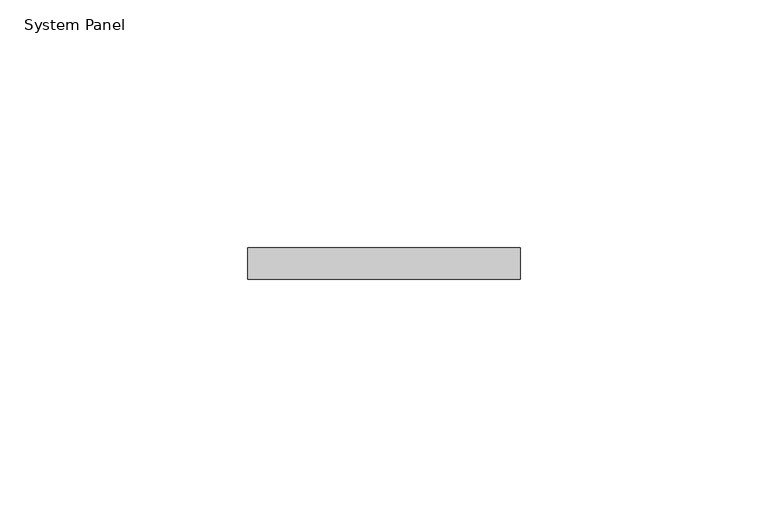
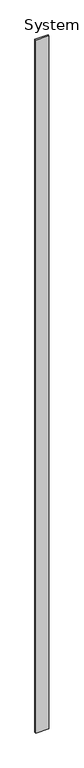
"""IFC4 building model written with IfcOpenShell, lengths in millimetres: plate geometry, System Panel."""

from ifc_helpers import new_model, si_unit, origin, origin_with_axes, place, context, project, spatial, polyline, outline, extrude, source, transform, mapped, element, save


def system_panel_7f7deac5(model_context):
    return source(origin(), model_context, "Body", "SweptSolid", [
        extrude(outline(polyline([(27.4778966, -6.35), (-27.4778966, -6.35), (-27.4778966, 0.0), (27.4778966, 0.0), (27.4778966, -6.35)])), origin_with_axes(), (0.0, 0.0, 1.0), 3048.0),
    ])


if __name__ == "__main__":
    model = new_model("IFC4")
    model_context = context("Model", 3, world=origin())
    ifc_project = project(units=[si_unit("LENGTHUNIT", "METRE", prefix="MILLI")], contexts=[model_context])
    site = spatial("IfcSite", under=ifc_project)
    building = spatial("IfcBuilding", under=site)
    placement = place(None, origin())
    system_panel_shape = system_panel_7f7deac5(model_context)
    element("IfcPlate", 1, ObjectType="System Panel", at=placement, inside=building, context=model_context, shape_type="MappedRepresentation", body=[
        mapped(system_panel_shape, transform((0.0, 0.0, 0.0), x_axis=(1.0, 0.0, 0.0), y_axis=(0.0, 1.0, 0.0), z_axis=(0.0, 0.0, 1.0))),
    ])
    save(model, "model.ifc")
